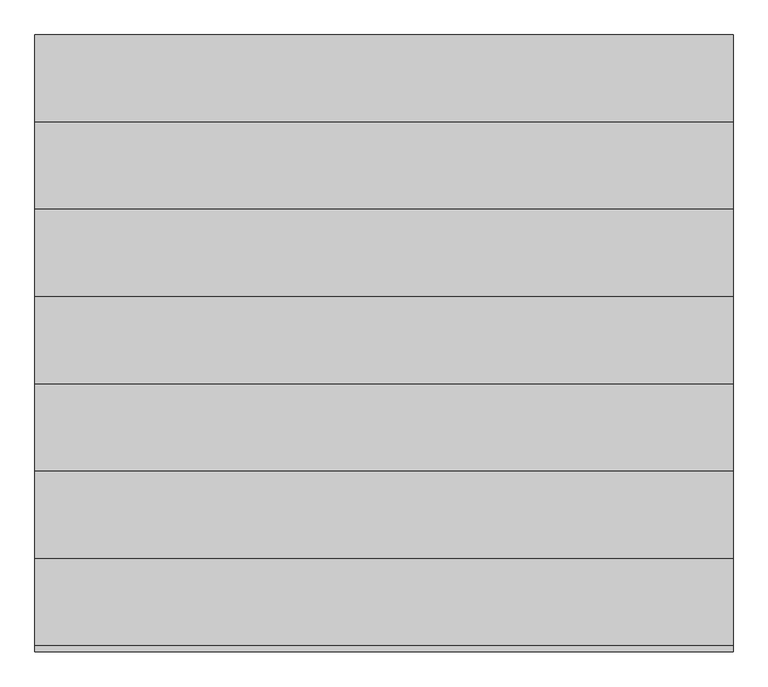
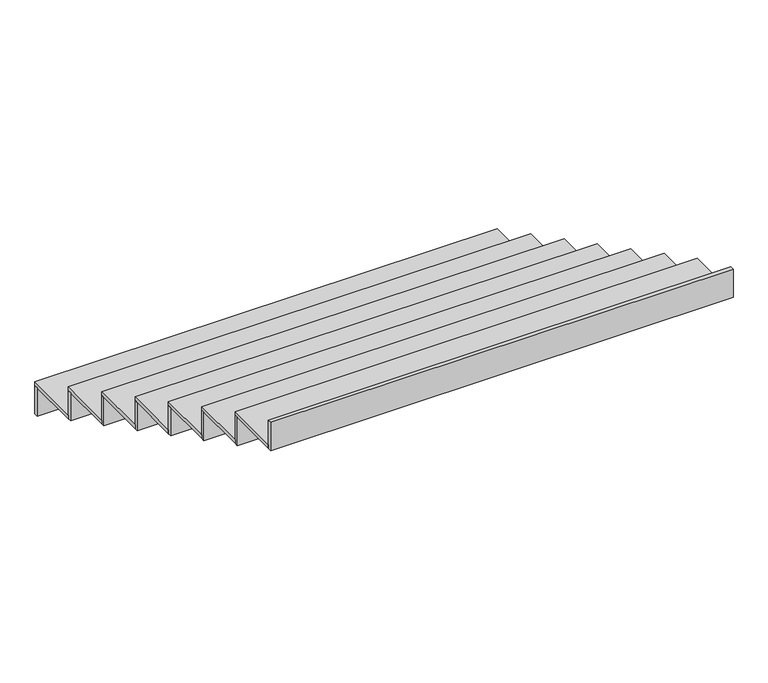
"""IFC4 building model written with IfcOpenShell, lengths in millimetres: stair flight geometry."""

from ifc_helpers import new_model, si_unit, frame, origin, place, context, project, spatial, polyline, outline, extrude, source, transform, mapped, element, save


def stair_flight_df3a2da3(model_context):
    return source(origin(), model_context, "Body", "SweptSolid", [
        extrude(outline(polyline([(140483.87072, 85585.6888948), (140483.87072, 85605.6888948), (142883.87072, 85605.6888948), (142883.87072, 85585.6888948), (140483.87072, 85585.6888948)])), frame((0.0, 0.0, 3777.703447), z_axis=(0.0, 0.0, 1.0), x_axis=(1.0, 0.0, 0.0)), (0.0, 0.0, 1.0), 154.8736167),
        extrude(outline(polyline([(142883.87072, 85305.6888948), (140483.87072, 85305.6888948), (140483.87072, 85605.6888948), (142883.87072, 85605.6888948), (142883.87072, 85305.6888948)])), frame((0.0, 0.0, 3932.5770637), z_axis=(0.0, 0.0, 1.0), x_axis=(1.0, 0.0, 0.0)), (0.0, 0.0, 1.0), 20.0),
        extrude(outline(polyline([(140483.87072, 85285.6888948), (140483.87072, 85305.6888948), (142883.87072, 85305.6888948), (142883.87072, 85285.6888948), (140483.87072, 85285.6888948)])), frame((0.0, 0.0, 3932.5770637), z_axis=(0.0, 0.0, 1.0), x_axis=(1.0, 0.0, 0.0)), (0.0, 0.0, 1.0), 154.8736167),
        extrude(outline(polyline([(142883.87072, 85005.6888948), (140483.87072, 85005.6888948), (140483.87072, 85305.6888948), (142883.87072, 85305.6888948), (142883.87072, 85005.6888948)])), frame((0.0, 0.0, 4087.4506804), z_axis=(0.0, 0.0, 1.0), x_axis=(1.0, 0.0, 0.0)), (0.0, 0.0, 1.0), 20.0),
        extrude(outline(polyline([(140483.87072, 84985.6888948), (140483.87072, 85005.6888948), (142883.87072, 85005.6888948), (142883.87072, 84985.6888948), (140483.87072, 84985.6888948)])), frame((0.0, 0.0, 4087.4506804), z_axis=(0.0, 0.0, 1.0), x_axis=(1.0, 0.0, 0.0)), (0.0, 0.0, 1.0), 154.8736167),
        extrude(outline(polyline([(142883.87072, 84705.6888948), (140483.87072, 84705.6888948), (140483.87072, 85005.6888948), (142883.87072, 85005.6888948), (142883.87072, 84705.6888948)])), frame((0.0, 0.0, 4242.3242971), z_axis=(0.0, 0.0, 1.0), x_axis=(1.0, 0.0, 0.0)), (0.0, 0.0, 1.0), 20.0),
        extrude(outline(polyline([(140483.87072, 84685.6888948), (140483.87072, 84705.6888948), (142883.87072, 84705.6888948), (142883.87072, 84685.6888948), (140483.87072, 84685.6888948)])), frame((0.0, 0.0, 4242.3242971), z_axis=(0.0, 0.0, 1.0), x_axis=(1.0, 0.0, 0.0)), (0.0, 0.0, 1.0), 154.8736167),
        extrude(outline(polyline([(142883.87072, 84405.6888948), (140483.87072, 84405.6888948), (140483.87072, 84705.6888948), (142883.87072, 84705.6888948), (142883.87072, 84405.6888948)])), frame((0.0, 0.0, 4397.1979138), z_axis=(0.0, 0.0, 1.0), x_axis=(1.0, 0.0, 0.0)), (0.0, 0.0, 1.0), 20.0),
        extrude(outline(polyline([(140483.87072, 84385.6888948), (140483.87072, 84405.6888948), (142883.87072, 84405.6888948), (142883.87072, 84385.6888948), (140483.87072, 84385.6888948)])), frame((0.0, 0.0, 4397.1979138), z_axis=(0.0, 0.0, 1.0), x_axis=(1.0, 0.0, 0.0)), (0.0, 0.0, 1.0), 154.8736167),
        extrude(outline(polyline([(142883.87072, 84105.6888948), (140483.87072, 84105.6888948), (140483.87072, 84405.6888948), (142883.87072, 84405.6888948), (142883.87072, 84105.6888948)])), frame((0.0, 0.0, 4552.0715305), z_axis=(0.0, 0.0, 1.0), x_axis=(1.0, 0.0, 0.0)), (0.0, 0.0, 1.0), 20.0),
        extrude(outline(polyline([(140483.87072, 84085.6888948), (140483.87072, 84105.6888948), (142883.87072, 84105.6888948), (142883.87072, 84085.6888948), (140483.87072, 84085.6888948)])), frame((0.0, 0.0, 4552.0715305), z_axis=(0.0, 0.0, 1.0), x_axis=(1.0, 0.0, 0.0)), (0.0, 0.0, 1.0), 154.8736167),
        extrude(outline(polyline([(142883.87072, 83805.6888948), (140483.87072, 83805.6888948), (140483.87072, 84105.6888948), (142883.87072, 84105.6888948), (142883.87072, 83805.6888948)])), frame((0.0, 0.0, 4706.9451471), z_axis=(0.0, 0.0, 1.0), x_axis=(1.0, 0.0, 0.0)), (0.0, 0.0, 1.0), 20.0),
        extrude(outline(polyline([(140483.87072, 83785.6888948), (140483.87072, 83805.6888948), (142883.87072, 83805.6888948), (142883.87072, 83785.6888948), (140483.87072, 83785.6888948)])), frame((0.0, 0.0, 4706.9451471), z_axis=(0.0, 0.0, 1.0), x_axis=(1.0, 0.0, 0.0)), (0.0, 0.0, 1.0), 154.8736167),
        extrude(outline(polyline([(140483.87072, 83485.6888948), (140483.87072, 83505.6888948), (142883.87072, 83505.6888948), (142883.87072, 83485.6888948), (140483.87072, 83485.6888948)])), frame((0.0, 0.0, 4861.8187638), z_axis=(0.0, 0.0, 1.0), x_axis=(1.0, 0.0, 0.0)), (0.0, 0.0, 1.0), 154.8736167),
        extrude(outline(polyline([(142883.87072, 83505.6888948), (140483.87072, 83505.6888948), (140483.87072, 83805.6888948), (142883.87072, 83805.6888948), (142883.87072, 83505.6888948)])), frame((0.0, 0.0, 4861.8187638), z_axis=(0.0, 0.0, 1.0), x_axis=(1.0, 0.0, 0.0)), (0.0, 0.0, 1.0), 20.0),
    ])


if __name__ == "__main__":
    model = new_model("IFC4")
    model_context = context("Model", 3, world=origin())
    ifc_project = project(units=[si_unit("LENGTHUNIT", "METRE", prefix="MILLI")], contexts=[model_context])
    site = spatial("IfcSite", under=ifc_project)
    building = spatial("IfcBuilding", under=site)
    placement = place(None, origin())
    stair_flight_shape = stair_flight_df3a2da3(model_context)
    element("IfcStairFlight", 1, at=placement, inside=building, context=model_context, shape_type="MappedRepresentation", body=[
        mapped(stair_flight_shape, transform((0.0, 0.0, 0.0), x_axis=(1.0, 0.0, 0.0), y_axis=(0.0, 1.0, 0.0), z_axis=(0.0, 0.0, 1.0))),
    ])
    save(model, "model.ifc")
